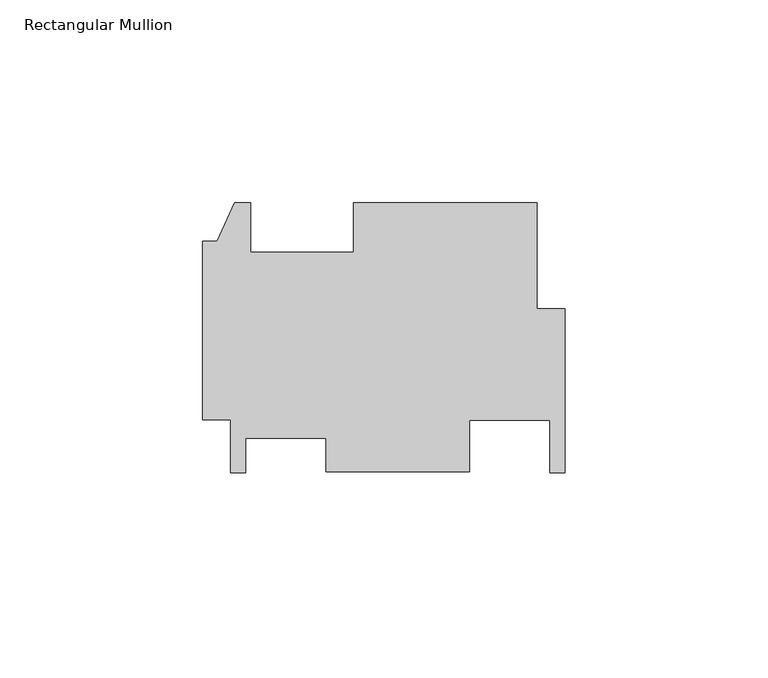
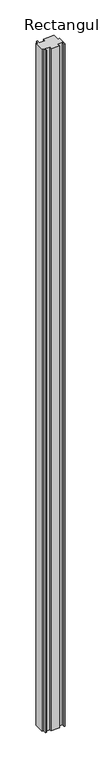
"""IFC4 building model written with IfcOpenShell, lengths in millimetres: member geometry, Rectangular Mullion."""

from ifc_helpers import new_model, si_unit, frame, origin, place, context, project, spatial, polyline, outline, extrude, source, transform, mapped, element, save


def rectangular_mullion_b907b751(model_context):
    return source(origin(), model_context, "Body", "SweptSolid", [
        extrude(outline(polyline([(-6.9088, 5.9254772), (0.0, 5.9254772), (0.0, -34.5621228), (-3.7338, -34.5621228), (-3.7338, -21.6111218), (-23.5712, -21.6111218), (-23.5712, -34.2164213), (-58.9788, -34.2164213), (-58.9788, -26.0241272), (-78.8162, -26.0241272), (-78.8162, -34.5621228), (-82.55, -34.5621228), (-82.55, -21.3723023), (-89.4588, -21.3723023), (-89.4588, 22.5950977), (-85.852, 22.5950977), (-81.534, 32.1200977), (-77.6224, 32.1200977), (-77.6224, 19.9026977), (-52.2224, 19.9026977), (-52.2224, 32.1200977), (-6.9088, 32.1200977), (-6.9088, 5.9254772)])), frame((0.0, 0.0, -3048.0), z_axis=(0.0, 0.0, 1.0), x_axis=(1.0, 0.0, 0.0)), (0.0, 0.0, 1.0), 3048.0),
    ])


if __name__ == "__main__":
    model = new_model("IFC4")
    model_context = context("Model", 3, world=origin())
    ifc_project = project(units=[si_unit("LENGTHUNIT", "METRE", prefix="MILLI")], contexts=[model_context])
    site = spatial("IfcSite", under=ifc_project)
    building = spatial("IfcBuilding", under=site)
    placement = place(None, origin())
    rectangular_mullion_shape = rectangular_mullion_b907b751(model_context)
    element("IfcMember", 1, ObjectType="Rectangular Mullion", at=placement, inside=building, context=model_context, shape_type="MappedRepresentation", body=[
        mapped(rectangular_mullion_shape, transform((0.0, 0.0, 0.0), x_axis=(1.0, 0.0, 0.0), y_axis=(0.0, 1.0, 0.0), z_axis=(0.0, 0.0, 1.0))),
    ])
    save(model, "model.ifc")
